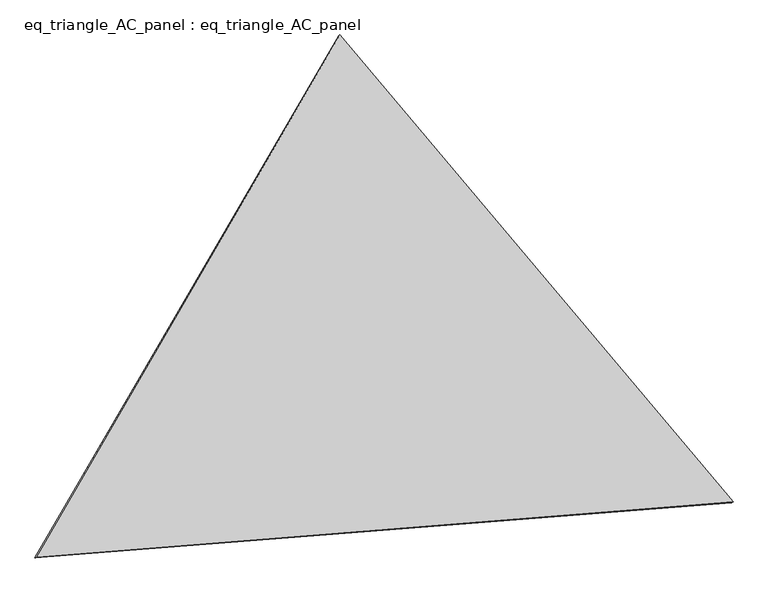
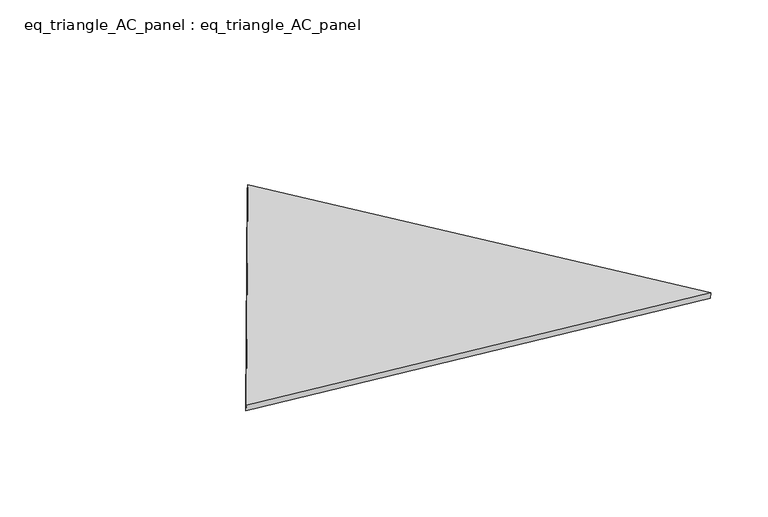
"""IFC4 building model written with IfcOpenShell, lengths in millimetres: proxy geometry, eq_triangle_AC_panel : eq_triangle_AC_panel."""

from ifc_helpers import new_model, si_unit, frame, origin, place, context, project, spatial, polyline, outline, extrude, source, transform, mapped, element, save


def eq_triangle_ac_panel_eq_triangle_ac_panel_2c895bbd(model_context):
    return source(origin(), model_context, "Body", "SweptSolid", [
        extrude(outline(polyline([(-1545.5252188, 1096.9501239), (1940.5810827, 1096.9501239), (-395.0558641, -2193.9002477), (-1545.5252188, 1096.9501239)])), frame((0.0038051, 527.9290861, 89.8240019), z_axis=(0.14526328518058185, 0.08386570281802191, 0.9858321976225894), x_axis=(0.6433905056170535, -0.7649607109842481, -0.029728234597873045)), (0.0, 0.0, 1.0), 43.8306294),
    ])


if __name__ == "__main__":
    model = new_model("IFC4")
    model_context = context("Model", 3, world=origin())
    ifc_project = project(units=[si_unit("LENGTHUNIT", "METRE", prefix="MILLI")], contexts=[model_context])
    site = spatial("IfcSite", under=ifc_project)
    building = spatial("IfcBuilding", under=site)
    placement = place(None, origin())
    eq_triangle_ac_panel_eq_triangle_ac_panel_shape = eq_triangle_ac_panel_eq_triangle_ac_panel_2c895bbd(model_context)
    element("IfcBuildingElementProxy", 1, Name="eq_triangle_AC_panel : eq_triangle_AC_panel", ObjectType="eq_triangle_AC_panel : eq_triangle_AC_panel", at=placement, inside=building, context=model_context, shape_type="MappedRepresentation", body=[
        mapped(eq_triangle_ac_panel_eq_triangle_ac_panel_shape, transform((0.0, 0.0, 0.0), x_axis=(1.0, 0.0, 0.0), y_axis=(0.0, 1.0, 0.0), z_axis=(0.0, 0.0, 1.0))),
    ])
    save(model, "model.ifc")
